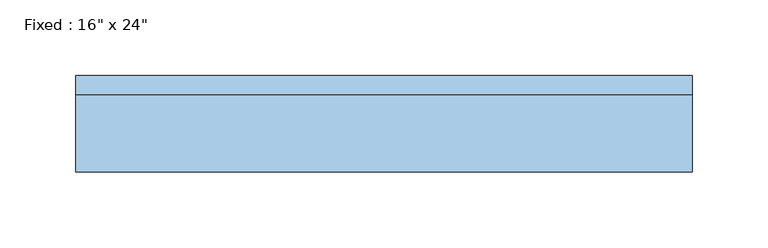
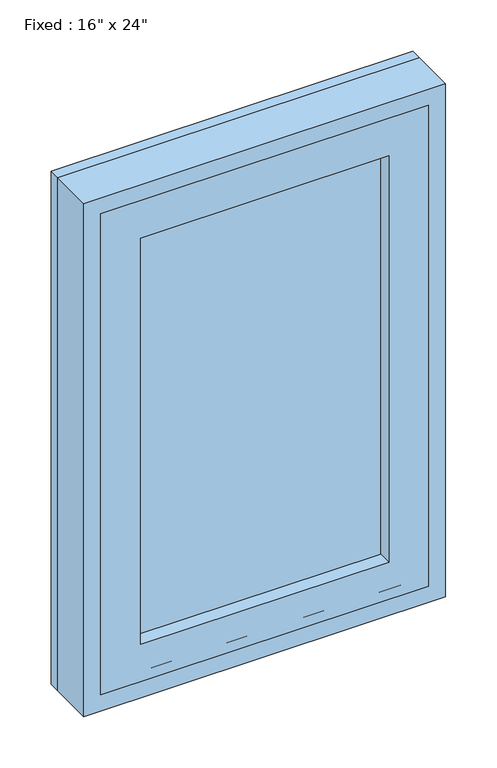
"""IFC4 building model written with IfcOpenShell, lengths in millimetres: window geometry."""

from ifc_helpers import new_model, si_unit, frame, origin, place, context, project, spatial, polyline, outline, extrude, source, transform, mapped, element, save


def window_7ad6db9f(model_context):
    return source(origin(), model_context, "Body", "SweptSolid", [
        extrude(outline(polyline([(101.6, -41.275), (-177.8, -41.275), (-177.8, -28.575), (101.6, -28.575), (101.6, -41.275)])), frame((0.0, 0.0, 977.9), z_axis=(0.0, 0.0, 1.0), x_axis=(1.0, 0.0, 0.0)), (0.0, 0.0, 1.0), 482.6),
        extrude(outline(polyline([(1504.95, -222.25), (933.45, -222.25), (933.45, 146.05), (1504.95, 146.05), (1504.95, -222.25)]), holes=[polyline([(1460.5, -177.8), (1460.5, 101.6), (977.9, 101.6), (977.9, -177.8), (1460.5, -177.8)])]), frame((0.0, -57.15, 0.0), z_axis=(0.0, 1.0, 0.0), x_axis=(0.0, 0.0, 1.0)), (0.0, 0.0, 1.0), 44.45),
        extrude(outline(polyline([(1524.0, -241.3), (914.4, -241.3), (914.4, 165.1), (1524.0, 165.1), (1524.0, -241.3)]), holes=[polyline([(1492.25, -209.55), (1492.25, 133.35), (946.15, 133.35), (946.15, -209.55), (1492.25, -209.55)])]), frame((0.0, -57.15, 0.0), z_axis=(0.0, 1.0, 0.0), x_axis=(0.0, 0.0, 1.0)), (0.0, 0.0, 1.0), 50.8),
        extrude(outline(polyline([(1524.0, 165.1), (1524.0, -241.3), (914.4, -241.3), (914.4, 165.1), (1524.0, 165.1)]), holes=[polyline([(1504.95, 146.05), (933.45, 146.05), (933.45, -222.25), (1504.95, -222.25), (1504.95, 146.05)])]), frame((0.0, -57.15, 0.0), z_axis=(0.0, 1.0, 0.0), x_axis=(0.0, 0.0, 1.0)), (0.0, 0.0, 1.0), 63.5),
    ])


if __name__ == "__main__":
    model = new_model("IFC4")
    model_context = context("Model", 3, world=origin())
    ifc_project = project(units=[si_unit("LENGTHUNIT", "METRE", prefix="MILLI")], contexts=[model_context])
    site = spatial("IfcSite", under=ifc_project)
    building = spatial("IfcBuilding", under=site)
    placement = place(None, origin())
    window_shape = window_7ad6db9f(model_context)
    element("IfcWindow", 1, ObjectType="Fixed : 16\" x 24\"", at=placement, inside=building, context=model_context, shape_type="MappedRepresentation", body=[
        mapped(window_shape, transform((0.0, 0.0, 0.0), x_axis=(1.0, 0.0, 0.0), y_axis=(0.0, 1.0, 0.0), z_axis=(0.0, 0.0, 1.0))),
    ])
    save(model, "model.ifc")
